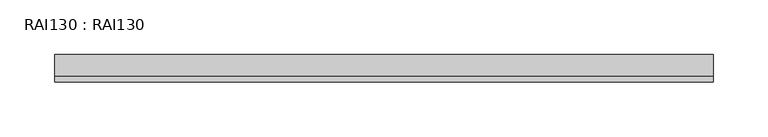
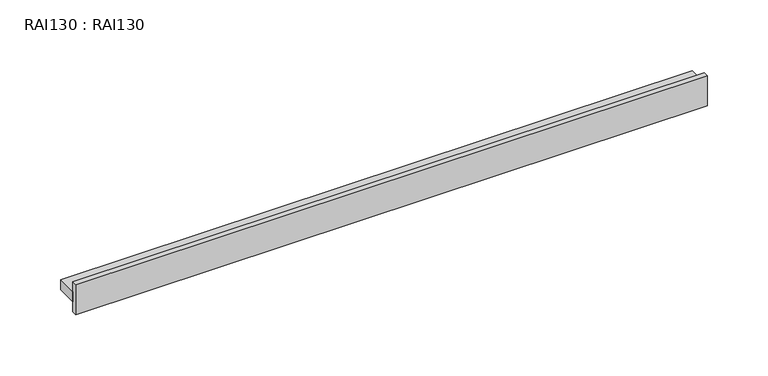
"""IFC4 building model written with IfcOpenShell, lengths in millimetres: proxy geometry, RAI130 : RAI130."""

from ifc_helpers import new_model, si_unit, frame, origin, place, context, project, spatial, polyline, outline, extrude, source, transform, mapped, element, save


def rai130_rai130_b50629d1(model_context):
    return source(origin(), model_context, "Body", "SweptSolid", [
        extrude(outline(polyline([(0.0, -20.0000011), (0.0, 0.0), (600.0, 0.0), (600.0, -20.0000011), (0.0, -20.0000011)])), frame((0.0, 0.0, -5.0000003), z_axis=(0.0, 0.0, 1.0), x_axis=(1.0, 0.0, 0.0)), (0.0, 0.0, 1.0), 10.0000005),
        extrude(outline(polyline([(600.0, -20.0000011), (600.0, -25.0000002), (0.0, -25.0000002), (0.0, -20.0000011), (600.0, -20.0000011)])), frame((0.0, 0.0, -14.9999997), z_axis=(0.0, 0.0, 1.0), x_axis=(1.0, 0.0, 0.0)), (0.0, 0.0, 1.0), 29.9999993),
    ])


if __name__ == "__main__":
    model = new_model("IFC4")
    model_context = context("Model", 3, world=origin())
    ifc_project = project(units=[si_unit("LENGTHUNIT", "METRE", prefix="MILLI")], contexts=[model_context])
    site = spatial("IfcSite", under=ifc_project)
    building = spatial("IfcBuilding", under=site)
    placement = place(None, origin())
    rai130_rai130_shape = rai130_rai130_b50629d1(model_context)
    element("IfcBuildingElementProxy", 1, Name="RAI130 : RAI130", ObjectType="RAI130 : RAI130", at=placement, inside=building, context=model_context, shape_type="MappedRepresentation", body=[
        mapped(rai130_rai130_shape, transform((0.0, 0.0, 0.0), x_axis=(1.0, 0.0, 0.0), y_axis=(0.0, 1.0, 0.0), z_axis=(0.0, 0.0, 1.0))),
    ])
    save(model, "model.ifc")
